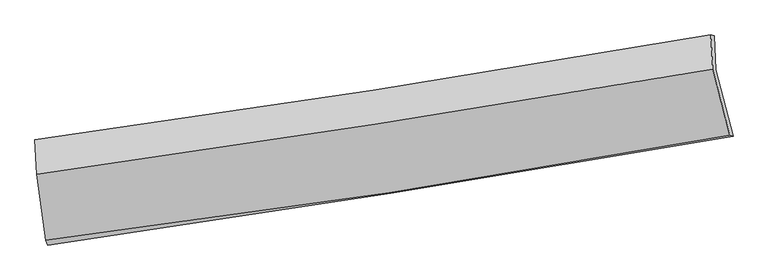
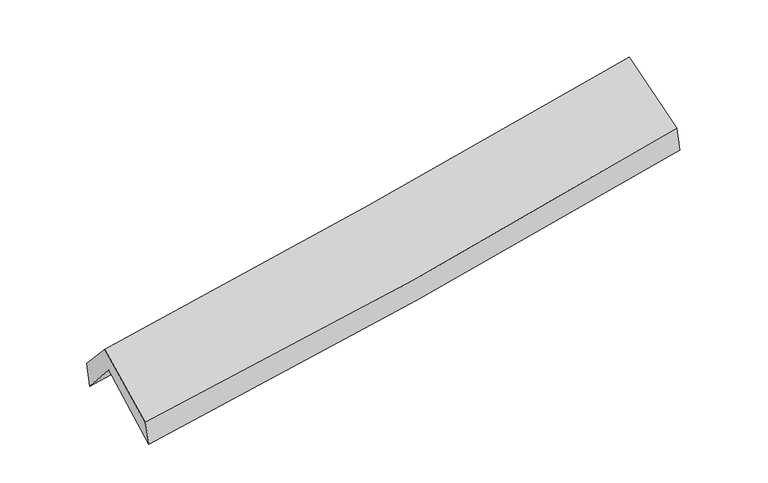
"""IFC4 building model written with IfcOpenShell, lengths in millimetres: proxy geometry."""

import ifcopenshell
import ifcopenshell.guid

model = None  # the IFC model being written
_history = None  # IfcOwnerHistory: only IFC2X3 demands one
_inside = {}  # id of a spatial element -> (the spatial element, [elements in it])
_under = {}  # id of a project, library or spatial element -> (it, [spatial elements below it])
_declared = {}  # id of a project -> (the project, [libraries it declares])
_typed = {}  # id of a type object -> (the type object, [elements of that type])
_made_of = {}  # id of a material, layer set ... -> (it, [elements and type objects made of it])


def new_model(schema):
    """Start an empty IFC model of exactly this schema.

    Asked for "IFC4X3", IfcOpenShell would pick the latest addendum, in which some entities
    have other attributes; the version numbers below select the first issue.
    IFC2X3 requires an IfcOwnerHistory on every rooted entity: one is made here for all.
    """
    global model, _history
    if schema == "IFC4X3":
        model = ifcopenshell.file(schema_version=(4, 3, 0, 0))
    else:
        model = ifcopenshell.file(schema=schema)
    _inside.clear()
    _under.clear()
    _declared.clear()
    _typed.clear()
    _made_of.clear()
    _history = None
    if model.schema == "IFC2X3":
        org = make("IfcOrganization", Name="unknown")
        user = make(
            "IfcPersonAndOrganization",
            ThePerson=make("IfcPerson", FamilyName="unknown"),
            TheOrganization=org,
        )
        app = make(
            "IfcApplication",
            ApplicationDeveloper=org,
            Version="unknown",
            ApplicationFullName="unknown",
            ApplicationIdentifier="unknown",
        )
        _history = make(
            "IfcOwnerHistory",
            OwningUser=user,
            OwningApplication=app,
            ChangeAction="ADDED",
            CreationDate=0,
        )
    return model


def make(cls, **values):
    """One entity of the class cls with the attributes given. An attribute that is None is left unset."""
    return model.create_entity(
        cls, **{name: value for name, value in values.items() if value is not None}
    )


def rooted(cls, **values):
    """An entity with a GlobalId (a new one), such as an element, a storey or a relation."""
    return make(cls, GlobalId=ifcopenshell.guid.new(), OwnerHistory=_history, **values)


def si_unit(unit_type, name, prefix=None):
    """IfcSIUnit, for example si_unit("LENGTHUNIT", "METRE", prefix="MILLI")."""
    return make("IfcSIUnit", UnitType=unit_type, Prefix=prefix, Name=name)


def assignment(units):
    """IfcUnitAssignment: the units of a project."""
    return None if units is None else make("IfcUnitAssignment", Units=units)


def point(xyz):
    """IfcCartesianPoint."""
    return None if xyz is None else make("IfcCartesianPoint", Coordinates=xyz)


def direction(xyz):
    """IfcDirection."""
    return None if xyz is None else make("IfcDirection", DirectionRatios=xyz)


def frame(location, z_axis=None, x_axis=None):
    """IfcAxis2Placement3D, a coordinate frame: its origin and axes. An axis left out is left unset."""
    return make(
        "IfcAxis2Placement3D",
        Location=point(location),
        Axis=direction(z_axis),
        RefDirection=direction(x_axis),
    )


def origin():
    """The frame at (0, 0, 0) with its axes left unset."""
    return frame((0.0, 0.0, 0.0))


def place(relative_to, where):
    """IfcLocalPlacement: puts the frame where relative to a parent placement (None: the world)."""
    return make(
        "IfcLocalPlacement", PlacementRelTo=relative_to, RelativePlacement=where
    )


def context(
    kind, dimensions, precision=None, world=None, true_north=None, identifier=None
):
    """IfcGeometricRepresentationContext, for example the 3D "Model" context."""
    return make(
        "IfcGeometricRepresentationContext",
        ContextIdentifier=identifier,
        ContextType=kind,
        CoordinateSpaceDimension=dimensions,
        Precision=precision,
        WorldCoordinateSystem=world,
        TrueNorth=true_north,
    )


def project(units=None, contexts=None):
    """IfcProject with its units and contexts."""
    return rooted(
        "IfcProject",
        Name="project",
        RepresentationContexts=contexts,
        UnitsInContext=assignment(units),
    )


def spatial(cls, under=None, at=None, **own):
    """A site, building, storey or space (cls), placed at a placement, below another one or the project."""
    s = rooted(cls, ObjectPlacement=at, **own)
    if under is not None:
        _under.setdefault(under.id(), (under, []))[1].append(s)
    return s


def shape(context_of_items, identifier, shape_type, items):
    """IfcShapeRepresentation: the items that make up one representation, for example the "Body"."""
    return make(
        "IfcShapeRepresentation",
        ContextOfItems=context_of_items,
        RepresentationIdentifier=identifier,
        RepresentationType=shape_type,
        Items=items,
    )


def source(mapping_origin, context_of_items, identifier, shape_type, items):
    """IfcRepresentationMap: a shape defined once, which mapped items show again and again."""
    return make(
        "IfcRepresentationMap",
        MappingOrigin=mapping_origin,
        MappedRepresentation=shape(context_of_items, identifier, shape_type, items),
    )


def transform(
    local_origin,
    x_axis=None,
    y_axis=None,
    z_axis=None,
    scale=None,
    scale2=None,
    scale3=None,
    uniform=True,
):
    """IfcCartesianTransformationOperator3D, or its non-uniform kind. x_axis, y_axis, z_axis: its Axis1, 2, 3."""
    if uniform:
        return make(
            "IfcCartesianTransformationOperator3D",
            Axis1=direction(x_axis),
            Axis2=direction(y_axis),
            LocalOrigin=point(local_origin),
            Scale=scale,
            Axis3=direction(z_axis),
        )
    return make(
        "IfcCartesianTransformationOperator3DnonUniform",
        Axis1=direction(x_axis),
        Axis2=direction(y_axis),
        LocalOrigin=point(local_origin),
        Scale=scale,
        Axis3=direction(z_axis),
        Scale2=scale2,
        Scale3=scale3,
    )


def mapped(mapping_source, mapping_target):
    """IfcMappedItem: shows the shape of a source again, moved by a transform."""
    return make(
        "IfcMappedItem", MappingSource=mapping_source, MappingTarget=mapping_target
    )


def made_of(thing, what):
    """Note that an element or type object is made of a material, layer set ...; save() writes the relation."""
    if what is not None:
        _made_of.setdefault(what.id(), (what, []))[1].append(thing)
    return thing


def element(
    cls,
    number,
    at=None,
    inside=None,
    cuts=None,
    type_object=None,
    material=None,
    context=None,
    identifier="Body",
    shape_type=None,
    held_by="IfcProductDefinitionShape",
    body=None,
    shapes=None,
    **own,
):
    """One element of the class cls, such as IfcWall. Its Tag is "e" and its number.

    at: its placement. inside: the storey or other place that contains it. cuts: it is an
    opening in that element (IfcRelVoidsElement). A single representation is given by context,
    identifier, shape_type and body (its items); several are given by shapes. held_by: the class
    of the entity that holds the representations. save() writes the other relations.
    """
    e = rooted(cls, Tag="e%d" % number, ObjectPlacement=at, **own)
    if body is not None:
        shapes = [shape(context, identifier, shape_type, body)]
    if shapes is not None:
        e.Representation = make(held_by, Representations=shapes)
    if inside is not None:
        _inside.setdefault(inside.id(), (inside, []))[1].append(e)
    if cuts is not None:
        rooted(
            "IfcRelVoidsElement", RelatingBuildingElement=cuts, RelatedOpeningElement=e
        )
    if type_object is not None:
        _typed.setdefault(type_object.id(), (type_object, []))[1].append(e)
    return made_of(e, material)


def aggregate(whole, parts):
    """IfcRelAggregates: a whole, such as a stair, and the parts it consists of."""
    return rooted("IfcRelAggregates", RelatingObject=whole, RelatedObjects=parts)


def save(model, path):
    """Write the relations noted so far, then the file.

    IfcRelAggregates (storeys below a building ...), IfcRelContainedInSpatialStructure (elements
    in a storey), IfcRelDefinesByType, IfcRelAssociatesMaterial and IfcRelDeclares: one each for
    every whole, place, type object, material and project.
    """
    for whole, parts in _under.values():
        aggregate(whole, parts)
    for where, things in _inside.values():
        rooted(
            "IfcRelContainedInSpatialStructure",
            RelatedElements=things,
            RelatingStructure=where,
        )
    for kind, things in _typed.values():
        rooted("IfcRelDefinesByType", RelatedObjects=things, RelatingType=kind)
    for what, things in _made_of.values():
        rooted("IfcRelAssociatesMaterial", RelatedObjects=things, RelatingMaterial=what)
    for by, libraries in _declared.values():
        rooted("IfcRelDeclares", RelatingContext=by, RelatedDefinitions=libraries)
    model.write(path)


def plane_surface(at):
    """IfcPlane: the flat surface through the origin of the frame at, square to its z axis."""
    return make("IfcPlane", Position=at)


def spline_curve(degree, points, multiplicities, knots, weights=None):
    """IfcBSplineCurveWithKnots; with weights, IfcRationalBSplineCurveWithKnots."""
    own = dict(
        Degree=degree,
        ControlPointsList=[point(p) for p in points],
        CurveForm="UNSPECIFIED",
        ClosedCurve=False,
        SelfIntersect=False,
        KnotMultiplicities=multiplicities,
        Knots=knots,
        KnotSpec="UNSPECIFIED",
    )
    if weights is None:
        return make("IfcBSplineCurveWithKnots", **own)
    return make("IfcRationalBSplineCurveWithKnots", WeightsData=weights, **own)


def spline_surface(u_degree, v_degree, points, u_multiplicities, v_multiplicities, u_knots, v_knots, weights=None):
    """IfcBSplineSurfaceWithKnots; with weights, IfcRationalBSplineSurfaceWithKnots. points: one row for each step in u."""
    own = dict(
        UDegree=u_degree,
        VDegree=v_degree,
        ControlPointsList=[[point(p) for p in row] for row in points],
        SurfaceForm="UNSPECIFIED",
        UClosed=False,
        VClosed=False,
        SelfIntersect=False,
        UMultiplicities=u_multiplicities,
        VMultiplicities=v_multiplicities,
        UKnots=u_knots,
        VKnots=v_knots,
        KnotSpec="UNSPECIFIED",
    )
    if weights is None:
        return make("IfcBSplineSurfaceWithKnots", **own)
    return make("IfcRationalBSplineSurfaceWithKnots", WeightsData=weights, **own)


def advanced_brep(points, edges, surfaces, faces):
    """IfcAdvancedBrep: a solid bounded by faces that lie on surfaces and meet in shared edges.

    An edge is (start, end): straight between two places in points (the first is 0);
    or (start, end, curve); or (start, end, curve, False) where it runs against its curve.
    A face is (place in surfaces, loops), or (place, loops, False) where it looks against
    its surface's normal. A loop lists edges by number (the first is 1), with a minus sign
    where the edge is run from its end to its start. The first loop is the outer one.
    """
    corners = [point(p) for p in points]
    vertices = [make("IfcVertexPoint", VertexGeometry=c) for c in corners]
    made = []
    for start, end, *more in edges:
        made.append(
            make(
                "IfcEdgeCurve",
                EdgeStart=vertices[start],
                EdgeEnd=vertices[end],
                EdgeGeometry=more[0] if more else make("IfcPolyline", Points=[corners[start], corners[end]]),
                SameSense=more[1] if len(more) > 1 else True,
            )
        )
    hull = []
    for where, loops, *sense in faces:
        bounds = []
        for j, loop in enumerate(loops):
            ring = [make("IfcOrientedEdge", EdgeElement=made[abs(k) - 1], Orientation=k > 0) for k in loop]
            bounds.append(
                make(
                    "IfcFaceOuterBound" if j == 0 else "IfcFaceBound",
                    Bound=make("IfcEdgeLoop", EdgeList=ring),
                    Orientation=True,
                )
            )
        hull.append(make("IfcAdvancedFace", Bounds=bounds, FaceSurface=surfaces[where], SameSense=sense[0] if sense else True))
    return make("IfcAdvancedBrep", Outer=make("IfcClosedShell", CfsFaces=hull))


def generic_models_b34d3ac1(model_context):
    return source(origin(), model_context, "Body", "AdvancedBrep", [
        advanced_brep(
        [(-2501.2310353, -2477.7842778, 1468.6668154), (-2571.2657736, -1987.5408992, 1892.6598954), (2514.5148525, -1164.1559403, 2323.5823117), (2644.1650336, -1663.2221742, 1917.4719601), (-2583.3581808, -1715.331839, 1577.0030107), (2501.6549498, -906.4323888, 2026.4140886), (-2595.814747, -1688.6623497, 1777.9026369), (2477.7646048, -901.1994934, 2241.8025542), (-2583.7067671, -1945.9710522, 2062.3469534), (2491.6530756, -1159.5307973, 2530.3173235), (-2513.8617126, -2443.4401301, 1657.235812), (2620.4705935, -1655.3918365, 2126.8151684)],
        [
            (0, 1),
            (1, 2, spline_curve(3, [(-2571.2657736, -1987.5408992, 1892.6598954), (-1721.631078356, -1876.411287386, 1977.794613507), (-873.324125038, -1752.29393588, 2056.249661223), (821.94018108, -1477.872363089, 2199.911080092), (1668.893436476, -1327.528061617, 2265.096837833), (2514.5148525, -1164.1559403, 2323.5823117)], [4, 2, 4], [0.0, 8.523242088311232, 17.059625410824474])),
            (2, 3),
            (3, 0, spline_curve(3, [(2644.1650336, -1663.2221742, 1917.4719601), (1790.188484151, -1812.602194372, 1832.390046056), (934.085270098, -1955.219463545, 1752.42378802), (-781.053295476, -2226.719358827, 1602.837811453), (-1640.082104523, -2355.622791123, 1533.202354629), (-2501.2310353, -2477.7842778, 1468.6668154)], [4, 2, 4], [0.0, 8.536383322513242, 17.059625410824474])),
            (1, 4),
            (4, 5, spline_curve(3, [(-2583.3581808, -1715.331839, 1577.0030107), (-1734.243923443, -1597.10712117, 1653.193370854), (-886.261248788, -1470.644750562, 1728.711143698), (808.746620093, -1201.037021969, 1878.516911883), (1655.76832236, -1057.866242343, 1952.802831654), (2501.6549498, -906.4323888, 2026.4140886)], [4, 2, 4], [0.0, 8.474044665951944, 16.961154712945483])),
            (5, 2),
            (4, 6),
            (6, 7, spline_curve(3, [(-2595.814747, -1688.6623497, 1777.9026369), (-1748.937245984, -1571.855263132, 1851.598348369), (-903.025158398, -1447.88588607, 1927.073379958), (788.170938049, -1185.420369993, 2081.701194503), (1633.451967952, -1046.902128573, 2160.85946894), (2477.7646048, -901.1994934, 2241.8025542)], [4, 2, 4], [0.0, 8.461454140290655, 16.935954249403387])),
            (7, 5),
            (6, 8),
            (8, 9, spline_curve(3, [(-2583.7067671, -1945.9710522, 2062.3469534), (-1736.51473121, -1826.969650818, 2133.266176573), (-890.297109149, -1701.987356807, 2207.690576529), (801.492511999, -1439.859062022, 2363.669883003), (1647.061504439, -1302.694604542, 2445.235606285), (2491.6530756, -1159.5307973, 2530.3173235)], [4, 2, 4], [0.0, 8.452146143203201, 16.917323904049855])),
            (9, 7),
            (8, 10),
            (10, 11, spline_curve(3, [(-2513.8617126, -2443.4401301, 1657.235812), (-1653.143799201, -2335.102492221, 1718.697609254), (-795.251225188, -2215.322390384, 1788.523529776), (916.201595837, -1952.67493713, 1945.024169945), (1769.753123986, -1809.772274848, 2031.724701914), (2620.4705935, -1655.3918365, 2126.8151684)], [4, 2, 4], [0.0, 8.50210966597599, 17.017327983938408])),
            (11, 9),
            (10, 0),
            (3, 11),
        ],
        [
            spline_surface(3, 3, [[(-2501.2310353, -2477.7842778, 1468.6668154), (-1640.082104446, -2355.622791237, 1533.202354681), (-781.05329551, -2226.719358962, 1602.837811459), (934.085270132, -1955.21946341, 1752.423788015), (1790.188484208, -1812.602194484, 1832.390046128), (2644.1650336, -1663.2221742, 1917.4719601)], [(-2524.575948058, -2314.369818272, 1609.997842086), (-1667.265095787, -2195.885623289, 1681.399774288), (-811.810238657, -2068.57755125, 1753.975094699), (896.703573799, -1796.103763282, 1901.586218695), (1749.756801591, -1650.910816862, 1976.625643343), (2600.948306572, -1496.866762898, 2052.842077289)], [(-2547.920860842, -2150.955358728, 1751.328868714), (-1694.448087155, -2036.148455326, 1829.597193837), (-842.567181875, -1910.435743597, 1905.11237798), (859.321877396, -1636.988063212, 2050.748649414), (1709.325118958, -1489.219439245, 2120.861240589), (2557.731579528, -1330.511351602, 2188.212194511)], [(-2571.2657736, -1987.5408992, 1892.6598954), (-1721.631078496, -1876.411287378, 1977.794613444), (-873.324125022, -1752.293935885, 2056.249661221), (821.940181064, -1477.872363084, 2199.911080095), (1668.893436342, -1327.528061623, 2265.096837803), (2514.5148525, -1164.1559403, 2323.5823117)]], [4, 4], [4, 2, 4], [0.0, 2.1758182127842596], [0.0, 8.523242088311232, 17.059625410824474]),
            spline_surface(3, 3, [[(-2571.2657736, -1987.5408992, 1892.6598954), (-1721.631078496, -1876.411287378, 1977.794613444), (-873.324125022, -1752.293935885, 2056.249661221), (821.940181064, -1477.872363084, 2199.911080095), (1668.893436342, -1327.528061623, 2265.096837803), (2514.5148525, -1164.1559403, 2323.5823117)], [(-2575.296576028, -1896.804545807, 1787.440933807), (-1725.835360183, -1783.309898645, 1869.594199218), (-877.636499639, -1658.410874147, 1947.07015537), (817.542327402, -1385.593916055, 2092.779690703), (1664.518398347, -1237.640788567, 2160.998835782), (2510.228218285, -1078.248089808, 2224.526237346)], [(-2579.327378372, -1806.068192393, 1682.221972293), (-1730.039641786, -1690.208509892, 1761.39378507), (-881.948874207, -1564.527812339, 1837.890649516), (813.14447379, -1293.315468958, 1985.648301308), (1660.143360297, -1147.753515487, 2056.900833723), (2505.941584015, -992.340239292, 2125.470162954)], [(-2583.3581808, -1715.331839, 1577.0030107), (-1734.243923474, -1597.107121159, 1653.193370843), (-886.261248824, -1470.644750601, 1728.711143665), (808.746620129, -1201.03702193, 1878.516911916), (1655.768322303, -1057.866242432, 1952.802831701), (2501.6549498, -906.4323888, 2026.4140886)]], [4, 4], [4, 2, 4], [0.0, 1.4051044938977824], [0.0, 8.474044665951944, 16.961154712945483]),
            spline_surface(3, 3, [[(-2583.3581808, -1715.331839, 1577.0030107), (-1734.243923474, -1597.107121159, 1653.193370843), (-886.261248824, -1470.644750601, 1728.711143665), (808.746620129, -1201.03702193, 1878.516911916), (1655.768322303, -1057.866242432, 1952.802831701), (2501.6549498, -906.4323888, 2026.4140886)], [(-2587.510369526, -1706.442009219, 1643.969552773), (-1739.141697621, -1588.689835149, 1719.328363361), (-891.849218696, -1463.058462393, 1794.831889078), (801.888059449, -1195.831471297, 1946.245006177), (1648.329537473, -1054.211537761, 2022.155044111), (2493.69150145, -904.688090311, 2098.210243804)], [(-2591.662558274, -1697.552179481, 1710.936094827), (-1744.039471791, -1580.272549183, 1785.463355861), (-897.437188568, -1455.472174213, 1860.952634421), (795.02949877, -1190.625920692, 2013.973100368), (1640.890752695, -1050.556833157, 2091.507256509), (2485.72805315, -902.943791889, 2170.006398996)], [(-2595.814747, -1688.6623497, 1777.9026369), (-1748.937245938, -1571.855263174, 1851.598348379), (-903.02515844, -1447.885886005, 1927.073379833), (788.17093809, -1185.420370058, 2081.701194628), (1633.451967865, -1046.902128486, 2160.859468918), (2477.7646048, -901.1994934, 2241.8025542)]], [4, 4], [4, 2, 4], [0.0, 0.6645464498419159], [0.0, 8.461454140290655, 16.935954249403387]),
            spline_surface(3, 3, [[(-2595.814747, -1688.6623497, 1777.9026369), (-1748.937245938, -1571.855263174, 1851.598348379), (-903.02515844, -1447.885886005, 1927.073379833), (788.17093809, -1185.420370058, 2081.701194628), (1633.451967865, -1046.902128486, 2160.859468918), (2477.7646048, -901.1994934, 2241.8025542)], [(-2591.778753685, -1774.431917189, 1872.717409085), (-1744.79640764, -1656.893392401, 1945.487624453), (-898.782475354, -1532.586376236, 2020.612445397), (792.611462759, -1270.233267414, 2175.690757391), (1637.988480071, -1132.166287228, 2255.651514723), (2482.394095089, -987.309928059, 2337.974143977)], [(-2587.742760415, -1860.201484711, 1967.532181215), (-1740.655569388, -1741.931521661, 2039.376900474), (-894.5397923, -1617.286866469, 2114.151511006), (797.051987396, -1355.046164773, 2269.680320199), (1642.52499221, -1217.430445895, 2350.443560497), (2487.023585311, -1073.420362641, 2434.145733723)], [(-2583.7067671, -1945.9710522, 2062.3469534), (-1736.51473109, -1826.969650889, 2133.266176549), (-890.297109215, -1701.9873567, 2207.69057657), (801.492512065, -1439.859062129, 2363.669882962), (1647.061504416, -1302.694604638, 2445.235606301), (2491.6530756, -1159.5307973, 2530.3173235)]], [4, 4], [4, 2, 4], [0.0, 1.2447723264867907], [0.0, 8.452146143203201, 16.917323904049855]),
            spline_surface(3, 3, [[(-2583.7067671, -1945.9710522, 2062.3469534), (-1736.51473109, -1826.969650889, 2133.266176549), (-890.297109215, -1701.9873567, 2207.69057657), (801.492512065, -1439.859062129, 2363.669882962), (1647.061504416, -1302.694604638, 2445.235606301), (2491.6530756, -1159.5307973, 2530.3173235)], [(-2560.425082276, -2111.794078185, 1927.309906263), (-1708.724420434, -1996.347264724, 1995.076654158), (-858.615147895, -1873.099034576, 2067.968227591), (839.728873306, -1610.797687166, 2224.121311997), (1687.95871093, -1471.720494656, 2307.398638176), (2534.592248233, -1324.817810355, 2395.816605116)], [(-2537.143397424, -2277.617104115, 1792.272859137), (-1680.934109751, -2165.724878504, 1856.887131779), (-826.933186518, -2044.210712426, 1928.245878622), (877.965234606, -1781.736312176, 2084.572741043), (1728.855917445, -1640.746384711, 2169.561670102), (2577.531420867, -1490.104823445, 2261.315886784)], [(-2513.8617126, -2443.4401301, 1657.235812), (-1653.143799095, -2335.102492339, 1718.697609388), (-795.251225198, -2215.322390302, 1788.523529643), (916.201595847, -1952.674937213, 1945.024170079), (1769.753123959, -1809.77227473, 2031.724701978), (2620.4705935, -1655.3918365, 2126.8151684)]], [4, 4], [4, 2, 4], [0.0, 2.2001956072785065], [0.0, 8.50210966597599, 17.017327983938408]),
            spline_surface(3, 3, [[(-2513.8617126, -2443.4401301, 1657.235812), (-1653.143799095, -2335.102492339, 1718.697609388), (-795.251225198, -2215.322390302, 1788.523529643), (916.201595847, -1952.674937213, 1945.024170079), (1769.753123959, -1809.77227473, 2031.724701978), (2620.4705935, -1655.3918365, 2126.8151684)], [(-2509.651486828, -2454.888179329, 1594.379479786), (-1648.789900873, -2341.942591967, 1656.865857805), (-790.518581967, -2219.121379853, 1726.628290256), (922.162820611, -1953.52311261, 1880.824042732), (1776.564910679, -1810.715581318, 1965.279816695), (2628.36874017, -1658.00194907, 2057.034098967)], [(-2505.441261072, -2466.336228571, 1531.523147614), (-1644.436002667, -2348.782691609, 1595.034106264), (-785.785938742, -2222.92036941, 1664.733050845), (928.124045368, -1954.371288013, 1816.623915361), (1783.376697488, -1811.658887897, 1898.834931411), (2636.26688693, -1660.61206163, 1987.253029533)], [(-2501.2310353, -2477.7842778, 1468.6668154), (-1640.082104446, -2355.622791237, 1533.202354681), (-781.05329551, -2226.719358962, 1602.837811459), (934.085270132, -1955.21946341, 1752.423788015), (1790.188484208, -1812.602194484, 1832.390046128), (2644.1650336, -1663.2221742, 1917.4719601)]], [4, 4], [4, 2, 4], [0.0, 0.6232128352340943], [0.0, 8.560843585011, 17.1348863786508]),
            plane_surface(frame((2541.7038516, -1241.6554384, 2194.4005678), z_axis=(0.9799689599794231, 0.16948233425458784, 0.10457808495313078), x_axis=(0.1975305742220003, -0.7603602165078863, -0.6187358187462619))),
            plane_surface(frame((-2558.2063694, -2043.121758, 1739.3025206), z_axis=(-0.9937952784138185, -0.10018033196045063, -0.04832024100410781), x_axis=(-0.06575506674096791, 0.1787949819955515, 0.9816866229154299))),
        ],
        [
            (0, [[1, 2, 3, 4]]),
            (1, [[5, 6, 7, -2]]),
            (2, [[8, 9, 10, -6]]),
            (3, [[11, 12, 13, -9]]),
            (4, [[14, 15, 16, -12]]),
            (5, [[17, -4, 18, -15]]),
            (6, [[-16, -18, -3, -7, -10, -13]]),
            (7, [[-17, -14, -11, -8, -5, -1]]),
        ],
    ),
    ])


if __name__ == "__main__":
    model = new_model("IFC4")
    model_context = context("Model", 3, world=origin())
    ifc_project = project(units=[si_unit("LENGTHUNIT", "METRE", prefix="MILLI")], contexts=[model_context])
    site = spatial("IfcSite", under=ifc_project)
    building = spatial("IfcBuilding", under=site)
    placement = place(None, origin())
    generic_models_shape = generic_models_b34d3ac1(model_context)
    element("IfcBuildingElementProxy", 1, Name="Generic Models", at=placement, inside=building, context=model_context, shape_type="MappedRepresentation", body=[
        mapped(generic_models_shape, transform((0.0, 0.0, 0.0), x_axis=(1.0, 0.0, 0.0), y_axis=(0.0, 1.0, 0.0), z_axis=(0.0, 0.0, 1.0))),
    ])
    save(model, "model.ifc")
